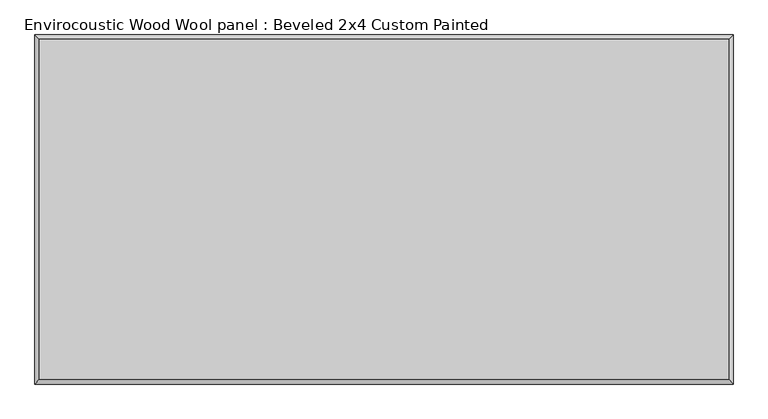
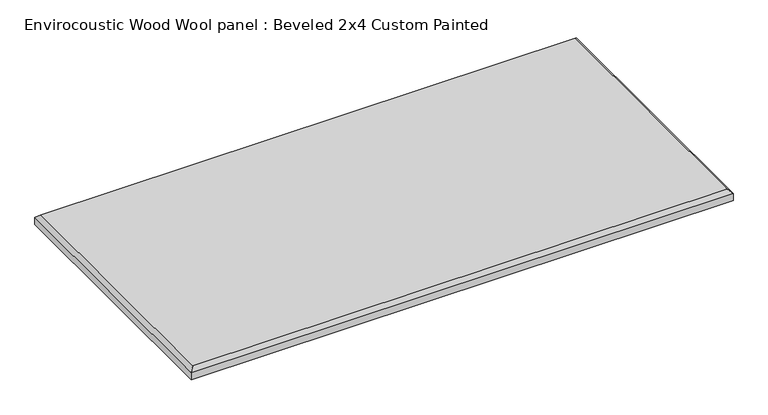
"""IFC4 building model written with IfcOpenShell, lengths in millimetres: proxy geometry, Envirocoustic Wood Wool panel : Beveled 2x4 Custom Painted."""

import ifcopenshell
import ifcopenshell.guid

model = None  # the IFC model being written
_history = None  # IfcOwnerHistory: only IFC2X3 demands one
_inside = {}  # id of a spatial element -> (the spatial element, [elements in it])
_under = {}  # id of a project, library or spatial element -> (it, [spatial elements below it])
_declared = {}  # id of a project -> (the project, [libraries it declares])
_typed = {}  # id of a type object -> (the type object, [elements of that type])
_made_of = {}  # id of a material, layer set ... -> (it, [elements and type objects made of it])


def new_model(schema):
    """Start an empty IFC model of exactly this schema.

    Asked for "IFC4X3", IfcOpenShell would pick the latest addendum, in which some entities
    have other attributes; the version numbers below select the first issue.
    IFC2X3 requires an IfcOwnerHistory on every rooted entity: one is made here for all.
    """
    global model, _history
    if schema == "IFC4X3":
        model = ifcopenshell.file(schema_version=(4, 3, 0, 0))
    else:
        model = ifcopenshell.file(schema=schema)
    _inside.clear()
    _under.clear()
    _declared.clear()
    _typed.clear()
    _made_of.clear()
    _history = None
    if model.schema == "IFC2X3":
        org = make("IfcOrganization", Name="unknown")
        user = make(
            "IfcPersonAndOrganization",
            ThePerson=make("IfcPerson", FamilyName="unknown"),
            TheOrganization=org,
        )
        app = make(
            "IfcApplication",
            ApplicationDeveloper=org,
            Version="unknown",
            ApplicationFullName="unknown",
            ApplicationIdentifier="unknown",
        )
        _history = make(
            "IfcOwnerHistory",
            OwningUser=user,
            OwningApplication=app,
            ChangeAction="ADDED",
            CreationDate=0,
        )
    return model


def make(cls, **values):
    """One entity of the class cls with the attributes given. An attribute that is None is left unset."""
    return model.create_entity(
        cls, **{name: value for name, value in values.items() if value is not None}
    )


def rooted(cls, **values):
    """An entity with a GlobalId (a new one), such as an element, a storey or a relation."""
    return make(cls, GlobalId=ifcopenshell.guid.new(), OwnerHistory=_history, **values)


def si_unit(unit_type, name, prefix=None):
    """IfcSIUnit, for example si_unit("LENGTHUNIT", "METRE", prefix="MILLI")."""
    return make("IfcSIUnit", UnitType=unit_type, Prefix=prefix, Name=name)


def assignment(units):
    """IfcUnitAssignment: the units of a project."""
    return None if units is None else make("IfcUnitAssignment", Units=units)


def point(xyz):
    """IfcCartesianPoint."""
    return None if xyz is None else make("IfcCartesianPoint", Coordinates=xyz)


def direction(xyz):
    """IfcDirection."""
    return None if xyz is None else make("IfcDirection", DirectionRatios=xyz)


def frame(location, z_axis=None, x_axis=None):
    """IfcAxis2Placement3D, a coordinate frame: its origin and axes. An axis left out is left unset."""
    return make(
        "IfcAxis2Placement3D",
        Location=point(location),
        Axis=direction(z_axis),
        RefDirection=direction(x_axis),
    )


def origin():
    """The frame at (0, 0, 0) with its axes left unset."""
    return frame((0.0, 0.0, 0.0))


def place(relative_to, where):
    """IfcLocalPlacement: puts the frame where relative to a parent placement (None: the world)."""
    return make(
        "IfcLocalPlacement", PlacementRelTo=relative_to, RelativePlacement=where
    )


def context(
    kind, dimensions, precision=None, world=None, true_north=None, identifier=None
):
    """IfcGeometricRepresentationContext, for example the 3D "Model" context."""
    return make(
        "IfcGeometricRepresentationContext",
        ContextIdentifier=identifier,
        ContextType=kind,
        CoordinateSpaceDimension=dimensions,
        Precision=precision,
        WorldCoordinateSystem=world,
        TrueNorth=true_north,
    )


def project(units=None, contexts=None):
    """IfcProject with its units and contexts."""
    return rooted(
        "IfcProject",
        Name="project",
        RepresentationContexts=contexts,
        UnitsInContext=assignment(units),
    )


def spatial(cls, under=None, at=None, **own):
    """A site, building, storey or space (cls), placed at a placement, below another one or the project."""
    s = rooted(cls, ObjectPlacement=at, **own)
    if under is not None:
        _under.setdefault(under.id(), (under, []))[1].append(s)
    return s


def faces_of(points, faces, orient=None, outer=None):
    """IfcFace entities. A face is a list of loops; a loop is a list of indices into points, from 0.

    orient and outer hold one flag for each loop. By default every Orientation is true, the
    first loop of a face is its IfcFaceOuterBound and the others are IfcFaceBound.
    """
    made = []
    for i, loops in enumerate(faces):
        bounds = []
        for j, loop in enumerate(loops):
            is_outer = j == 0 if outer is None else outer[i][j]
            bounds.append(
                make(
                    "IfcFaceOuterBound" if is_outer else "IfcFaceBound",
                    Bound=make("IfcPolyLoop", Polygon=[points[k] for k in loop]),
                    Orientation=True if orient is None else orient[i][j],
                )
            )
        made.append(make("IfcFace", Bounds=bounds))
    return made


def faceted_brep(points, faces, orient=None, outer=None, voids=None):
    """IfcFacetedBrep: a solid bounded by flat faces; with voids (closed shells), ...WithVoids."""
    shared = [point(p) for p in points]
    hull = make("IfcClosedShell", CfsFaces=faces_of(shared, faces, orient, outer))
    if voids is None:
        return make("IfcFacetedBrep", Outer=hull)
    return make(
        "IfcFacetedBrepWithVoids",
        Outer=hull,
        Voids=[
            make(cls, CfsFaces=faces_of(shared, fs, o, b)) for cls, fs, o, b in voids
        ],
    )


def shape(context_of_items, identifier, shape_type, items):
    """IfcShapeRepresentation: the items that make up one representation, for example the "Body"."""
    return make(
        "IfcShapeRepresentation",
        ContextOfItems=context_of_items,
        RepresentationIdentifier=identifier,
        RepresentationType=shape_type,
        Items=items,
    )


def source(mapping_origin, context_of_items, identifier, shape_type, items):
    """IfcRepresentationMap: a shape defined once, which mapped items show again and again."""
    return make(
        "IfcRepresentationMap",
        MappingOrigin=mapping_origin,
        MappedRepresentation=shape(context_of_items, identifier, shape_type, items),
    )


def transform(
    local_origin,
    x_axis=None,
    y_axis=None,
    z_axis=None,
    scale=None,
    scale2=None,
    scale3=None,
    uniform=True,
):
    """IfcCartesianTransformationOperator3D, or its non-uniform kind. x_axis, y_axis, z_axis: its Axis1, 2, 3."""
    if uniform:
        return make(
            "IfcCartesianTransformationOperator3D",
            Axis1=direction(x_axis),
            Axis2=direction(y_axis),
            LocalOrigin=point(local_origin),
            Scale=scale,
            Axis3=direction(z_axis),
        )
    return make(
        "IfcCartesianTransformationOperator3DnonUniform",
        Axis1=direction(x_axis),
        Axis2=direction(y_axis),
        LocalOrigin=point(local_origin),
        Scale=scale,
        Axis3=direction(z_axis),
        Scale2=scale2,
        Scale3=scale3,
    )


def mapped(mapping_source, mapping_target):
    """IfcMappedItem: shows the shape of a source again, moved by a transform."""
    return make(
        "IfcMappedItem", MappingSource=mapping_source, MappingTarget=mapping_target
    )


def made_of(thing, what):
    """Note that an element or type object is made of a material, layer set ...; save() writes the relation."""
    if what is not None:
        _made_of.setdefault(what.id(), (what, []))[1].append(thing)
    return thing


def element(
    cls,
    number,
    at=None,
    inside=None,
    cuts=None,
    type_object=None,
    material=None,
    context=None,
    identifier="Body",
    shape_type=None,
    held_by="IfcProductDefinitionShape",
    body=None,
    shapes=None,
    **own,
):
    """One element of the class cls, such as IfcWall. Its Tag is "e" and its number.

    at: its placement. inside: the storey or other place that contains it. cuts: it is an
    opening in that element (IfcRelVoidsElement). A single representation is given by context,
    identifier, shape_type and body (its items); several are given by shapes. held_by: the class
    of the entity that holds the representations. save() writes the other relations.
    """
    e = rooted(cls, Tag="e%d" % number, ObjectPlacement=at, **own)
    if body is not None:
        shapes = [shape(context, identifier, shape_type, body)]
    if shapes is not None:
        e.Representation = make(held_by, Representations=shapes)
    if inside is not None:
        _inside.setdefault(inside.id(), (inside, []))[1].append(e)
    if cuts is not None:
        rooted(
            "IfcRelVoidsElement", RelatingBuildingElement=cuts, RelatedOpeningElement=e
        )
    if type_object is not None:
        _typed.setdefault(type_object.id(), (type_object, []))[1].append(e)
    return made_of(e, material)


def aggregate(whole, parts):
    """IfcRelAggregates: a whole, such as a stair, and the parts it consists of."""
    return rooted("IfcRelAggregates", RelatingObject=whole, RelatedObjects=parts)


def save(model, path):
    """Write the relations noted so far, then the file.

    IfcRelAggregates (storeys below a building ...), IfcRelContainedInSpatialStructure (elements
    in a storey), IfcRelDefinesByType, IfcRelAssociatesMaterial and IfcRelDeclares: one each for
    every whole, place, type object, material and project.
    """
    for whole, parts in _under.values():
        aggregate(whole, parts)
    for where, things in _inside.values():
        rooted(
            "IfcRelContainedInSpatialStructure",
            RelatedElements=things,
            RelatingStructure=where,
        )
    for kind, things in _typed.values():
        rooted("IfcRelDefinesByType", RelatedObjects=things, RelatingType=kind)
    for what, things in _made_of.values():
        rooted("IfcRelAssociatesMaterial", RelatedObjects=things, RelatingMaterial=what)
    for by, libraries in _declared.values():
        rooted("IfcRelDeclares", RelatingContext=by, RelatedDefinitions=libraries)
    model.write(path)


def envirocoustic_wood_wool_panel_beveled_2x4_custom_painted_51cd3200(model_context):
    return source(origin(), model_context, "Body", "Brep", [
        faceted_brep([(601.599, 296.799, 25.4), (-601.599, 296.799, 25.4), (-601.599, -296.799, 25.4), (601.599, -296.799, 25.4), (-609.6, 304.8, 0.0), (609.6, 304.8, 0.0), (609.6, -304.8, 0.0), (-609.6, -304.8, 0.0), (-609.6, -304.8, 17.399), (-609.6, 304.8, 17.399), (609.6, -304.8, 17.399), (609.6, 304.8, 17.399)], [[[0, 1, 2, 3]], [[4, 5, 6, 7]], [[4, 7, 8, 9]], [[7, 6, 10, 8]], [[6, 5, 11, 10]], [[5, 4, 9, 11]], [[9, 1, 0, 11]], [[1, 9, 8, 2]], [[2, 8, 10, 3]], [[11, 0, 3, 10]]]),
    ])


if __name__ == "__main__":
    model = new_model("IFC4")
    model_context = context("Model", 3, world=origin())
    ifc_project = project(units=[si_unit("LENGTHUNIT", "METRE", prefix="MILLI")], contexts=[model_context])
    site = spatial("IfcSite", under=ifc_project)
    building = spatial("IfcBuilding", under=site)
    placement = place(None, origin())
    envirocoustic_wood_wool_panel_beveled_2x4_custom_painted_shape = envirocoustic_wood_wool_panel_beveled_2x4_custom_painted_51cd3200(model_context)
    element("IfcBuildingElementProxy", 1, Name="Envirocoustic Wood Wool panel : Beveled 2x4 Custom Painted", ObjectType="Envirocoustic Wood Wool panel : Beveled 2x4 Custom Painted", at=placement, inside=building, context=model_context, shape_type="MappedRepresentation", body=[
        mapped(envirocoustic_wood_wool_panel_beveled_2x4_custom_painted_shape, transform((0.0, 0.0, 0.0), x_axis=(1.0, 0.0, 0.0), y_axis=(0.0, 1.0, 0.0), z_axis=(0.0, 0.0, 1.0))),
    ])
    save(model, "model.ifc")
